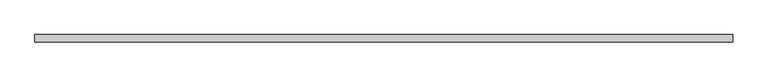
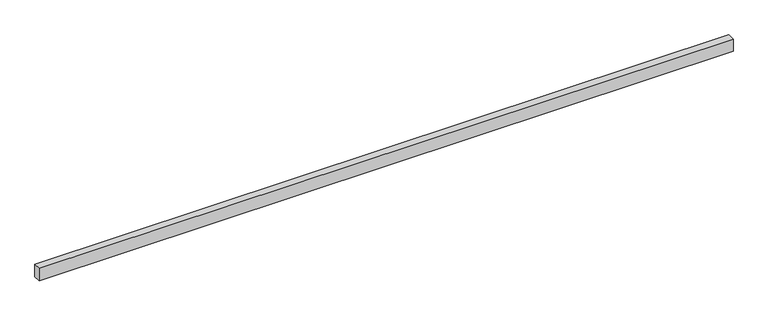
"""IFC4 building model written with IfcOpenShell, lengths in millimetres: furniture geometry."""

from ifc_helpers import new_model, si_unit, frame, origin, place, context, project, spatial, polyline, outline, extrude, source, transform, mapped, element, save


def furniture_fa52594e(model_context):
    return source(origin(), model_context, "Body", "SweptSolid", [
        extrude(outline(polyline([(4903.5208, -25.4), (0.0, -25.4), (0.0, 25.4), (4903.5208, 25.4), (4903.5208, -25.4)])), frame((0.0, 0.0, 2193.163), z_axis=(0.0, 0.0, 1.0), x_axis=(1.0, 0.0, 0.0)), (0.0, 0.0, 1.0), 92.71),
    ])


if __name__ == "__main__":
    model = new_model("IFC4")
    model_context = context("Model", 3, world=origin())
    ifc_project = project(units=[si_unit("LENGTHUNIT", "METRE", prefix="MILLI")], contexts=[model_context])
    site = spatial("IfcSite", under=ifc_project)
    building = spatial("IfcBuilding", under=site)
    placement = place(None, origin())
    furniture_shape = furniture_fa52594e(model_context)
    element("IfcFurniture", 1, at=placement, inside=building, context=model_context, shape_type="MappedRepresentation", body=[
        mapped(furniture_shape, transform((0.0, 0.0, 0.0), x_axis=(1.0, 0.0, 0.0), y_axis=(0.0, 1.0, 0.0), z_axis=(0.0, 0.0, 1.0))),
    ])
    save(model, "model.ifc")
